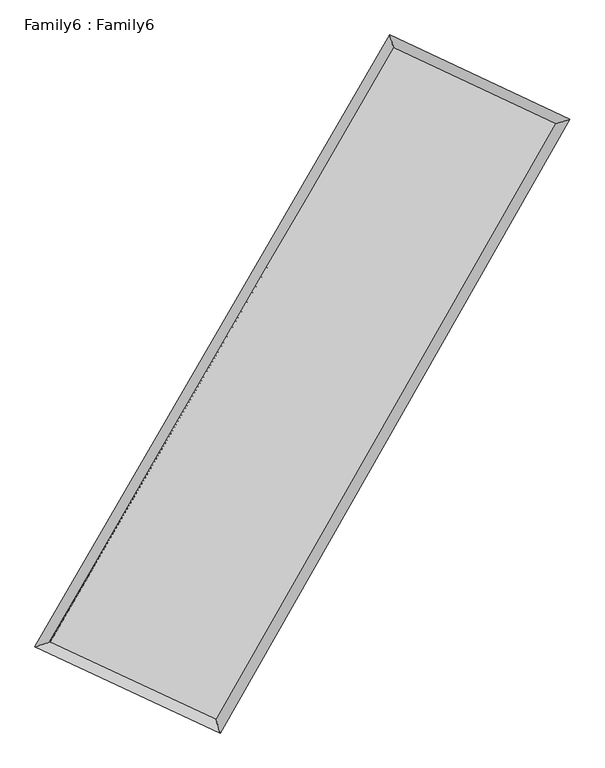
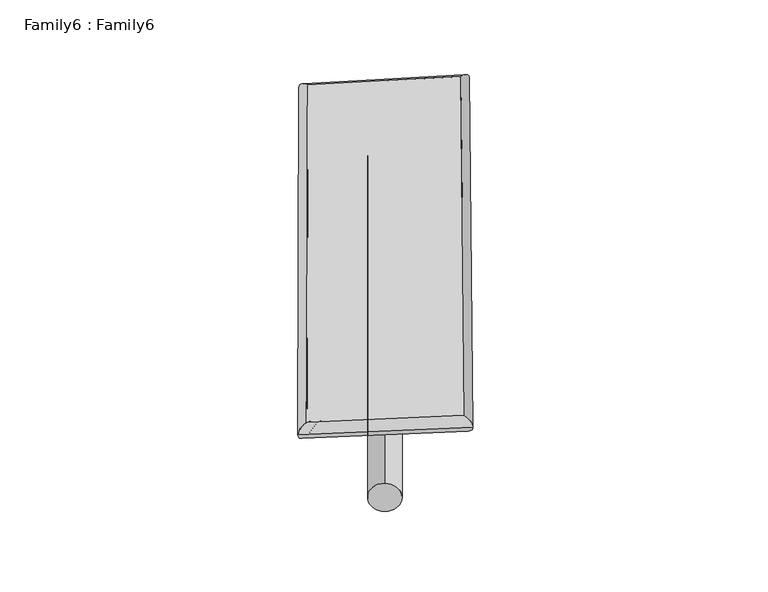
"""IFC4 building model written with IfcOpenShell, lengths in millimetres: plate geometry, Family6 : Family6."""

from ifc_helpers import new_model, si_unit, point, frame, origin, origin_2d, place, context, project, spatial, circle_curve, ellipse_curve, trimmed, segment, composite_curve, outline, extrude, source, transform, mapped, element, save
from ifc_brep_helpers import plane_surface, cylinder_surface, spline_surface, advanced_brep


def family6_family6_2edc6a6b(model_context):
    return source(origin(), model_context, "Body", "SolidModel", [
        extrude(outline(composite_curve([segment(trimmed(circle_curve(origin_2d(), 76.2), [point((-75.4341514, -10.7763073))], [point((75.4341514, 10.7763073))], False, "CARTESIAN"), True, "CONTINUOUS"), segment(trimmed(circle_curve(origin_2d(), 76.2), [point((75.4341514, 10.7763073))], [point((-75.4341514, -10.7763073))], False, "CARTESIAN"), True, "CONTINUOUS")], self_intersect=False)), frame((9144.0, 9144.0, 0.0), z_axis=(0.6711201776850793, 0.6912708931843585, 0.26784745535480997), x_axis=(-0.6826096217885913, 0.7171502338608823, -0.14049785163808823)), (0.0, 0.0, 1.0), 5724.0530083),
        extrude(outline(composite_curve([segment(trimmed(circle_curve(origin_2d(), 76.2), [point((-53.8815367, 53.8815367))], [point((53.8815367, -53.8815367))], False, "CARTESIAN"), True, "CONTINUOUS"), segment(trimmed(circle_curve(origin_2d(), 76.2), [point((53.8815367, -53.8815367))], [point((-53.8815367, 53.8815367))], False, "CARTESIAN"), True, "CONTINUOUS")], self_intersect=False)), frame((9144.0, 9144.0, 0.0), z_axis=(-0.6757393355986193, -0.6870600833055481, 0.2670670182798879), x_axis=(0.6374818651258435, -0.3627642554774337, 0.6797197706287343)), (0.0, 0.0, 1.0), 5740.7303309),
        extrude(outline(composite_curve([segment(trimmed(circle_curve(origin_2d(), 76.2), [point((-53.8815367, -53.8815367))], [point((53.8815367, 53.8815367))], False, "CARTESIAN"), True, "CONTINUOUS"), segment(trimmed(circle_curve(origin_2d(), 76.2), [point((53.8815367, 53.8815367))], [point((-53.8815367, -53.8815367))], False, "CARTESIAN"), True, "CONTINUOUS")], self_intersect=False)), frame((9144.0, 9144.0, 0.0), z_axis=(0.24908976625173485, 0.928707079101063, 0.2746951939445395), x_axis=(-0.8447547378997796, 0.3470611832153658, -0.4073548427366795)), (0.0, 0.0, 1.0), 5506.3333231),
        extrude(outline(composite_curve([segment(trimmed(circle_curve(origin_2d(), 76.2), [point((-75.4341514, 10.7763073))], [point((75.4341514, -10.7763073))], False, "CARTESIAN"), True, "CONTINUOUS"), segment(trimmed(circle_curve(origin_2d(), 76.2), [point((75.4341514, -10.7763073))], [point((-75.4341514, 10.7763073))], False, "CARTESIAN"), True, "CONTINUOUS")], self_intersect=False)), frame((9144.0, 9144.0, 0.0), z_axis=(-0.24239583645104618, -0.9305170651460749, 0.27455828150528166), x_axis=(0.8876240760016593, -0.0984692665154123, 0.44991921858720074)), (0.0, 0.0, 1.0), 5510.474261),
        advanced_brep(
        [(5049.3055167, 5131.9530937, 1531.7010247), (5049.2920506, 5131.9353353, 1535.0226786), (5480.2198839, 5267.5935875, 1534.6184398), (10577.3789802, 14060.5353068, 1514.6247018), (10453.7635805, 14455.0061674, 1510.5018985), (5480.23335, 5267.6113459, 1531.2967858), (12771.3748603, 13032.8924894, 1532.9317747), (13199.6800837, 13168.849982, 1533.4142905), (7745.3506832, 4213.7740548, 1513.2958759), (7871.2172813, 3819.0452713, 1512.5968108)],
        [
            (0, 1, ellipse_curve(frame((5264.7627003, 5199.7733406, 1533.1597322), z_axis=(-0.300271812799129, 0.9538457774489904, 0.0038821747843170848), x_axis=(-0.9538273126301804, -0.30029128688871426, 0.006212946113369899)), 225.9055535, 152.4)),
            (1, 2, ellipse_curve(frame((5264.7627003, 5199.7733406, 1533.1597322), z_axis=(-0.300271812799129, 0.9538457774489904, 0.0038821747843170848), x_axis=(-0.9538273126301804, -0.30029128688871426, 0.006212946113369899)), 225.9055535, 152.4)),
            (2, 3),
            (3, 4, ellipse_curve(frame((10515.5712804, 14257.7707371, 1512.5633001), z_axis=(-0.9542251207830249, -0.2990652992392086, -0.0037902054804301996), x_axis=(0.29903452677941494, -0.954216261542144, 0.007048262363588329)), 206.7040467, 152.4)),
            (4, 0),
            (2, 5, ellipse_curve(frame((5264.7627003, 5199.7733406, 1533.1597322), z_axis=(-0.300271812799129, 0.9538457774489904, 0.0038821747843170848), x_axis=(-0.9538273126301804, -0.30029128688871426, 0.006212946113369899)), 225.9055535, 152.4)),
            (5, 0, ellipse_curve(frame((5264.7627003, 5199.7733406, 1533.1597322), z_axis=(-0.300271812799129, 0.9538457774489904, 0.0038821747843170848), x_axis=(-0.9538273126301804, -0.30029128688871426, 0.006212946113369899)), 225.9055535, 152.4)),
            (4, 3, ellipse_curve(frame((10515.5712804, 14257.7707371, 1512.5633001), z_axis=(-0.9542251207830249, -0.2990652992392086, -0.0037902054804301996), x_axis=(0.29903452677941494, -0.954216261542144, 0.007048262363588329)), 206.7040467, 152.4)),
            (3, 6),
            (6, 7, ellipse_curve(frame((12985.527472, 13100.8712357, 1533.1730326), z_axis=(-0.3025471855857362, 0.9531253993221205, -0.004144111629602946), x_axis=(-0.953105611509486, -0.30256898268441396, -0.006457865471462596)), 224.6869529, 152.4)),
            (7, 4),
            (7, 6, ellipse_curve(frame((12985.527472, 13100.8712357, 1533.1730326), z_axis=(-0.3025471855857362, 0.9531253993221205, -0.004144111629602946), x_axis=(-0.953105611509486, -0.30256898268441396, -0.006457865471462596)), 224.6869529, 152.4)),
            (6, 8),
            (8, 9, ellipse_curve(frame((7808.2839823, 4016.4096631, 1512.9463434), z_axis=(0.9527286031827304, 0.3038015404540612, -0.0035822751461648383), x_axis=(-0.30377354901372206, 0.9527203750363037, 0.006746696250220449)), 207.1578062, 152.4)),
            (9, 7),
            (9, 8, ellipse_curve(frame((7808.2839823, 4016.4096631, 1512.9463434), z_axis=(0.9527286031827304, 0.3038015404540612, -0.0035822751461648383), x_axis=(-0.30377354901372206, 0.9527203750363037, 0.006746696250220449)), 207.1578062, 152.4)),
            (8, 5),
            (1, 9),
        ],
        [
            cylinder_surface(frame((5264.7627003, 5199.7733406, 1533.1597322), z_axis=(-0.5015148528239795, -0.8651467982381005, 0.0019672049475853975), x_axis=(-0.8651005811353736, 0.5014614035160211, -0.011723706878847405)), 152.4),
            cylinder_surface(frame((10515.5712804, 14257.7707371, 1512.5633001), z_axis=(-0.9055587938884821, 0.42415348120997814, -0.007556135830857687), x_axis=(0.42420152495985475, 0.9055437440151948, -0.006602567430702978)), 152.4),
            cylinder_surface(frame((12985.527472, 13100.8712357, 1533.1730326), z_axis=(0.4951371784621883, 0.8688126567373277, 0.001934424340679081), x_axis=(0.8688146590768967, -0.4951371784621883, -0.0005125208278846903)), 152.4),
            cylinder_surface(frame((7808.2839823, 4016.4096631, 1512.9463434), z_axis=(0.9066525181534285, -0.42181666249322947, -0.007205176550238749), x_axis=(-0.42179528468278826, -0.9066807048449267, 0.0043401936906871386)), 152.4),
        ],
        [
            (0, [[1, 2, 3, 4, 5]]),
            (0, [[6, 7, -5, 8, -3]]),
            (1, [[-4, 9, 10, 11]]),
            (1, [[-8, -11, 12, -9]]),
            (2, [[-10, 13, 14, 15]]),
            (2, [[-12, -15, 16, -13]]),
            (3, [[-14, 17, -6, -2, 18]]),
            (3, [[-16, -18, -1, -7, -17]]),
        ],
    ),
        extrude(outline(composite_curve([segment(trimmed(circle_curve(origin_2d(), 304.8), [point((0.0, -304.8))], [point((0.0, 304.8))], False, "CARTESIAN"), True, "CONTINUOUS"), segment(trimmed(circle_curve(origin_2d(), 304.8), [point((0.0, 304.8))], [point((0.0, -304.8))], False, "CARTESIAN"), True, "CONTINUOUS")], self_intersect=False)), frame((6516.3230983, 4590.6892055, -0.0043609), z_axis=(0.4998318884324725, 0.866122441289533, 8.295190897384252e-07), x_axis=(-0.8661224412899017, 0.4998318884324725, 2.2218268423385488e-07)), (0.0, 0.0, 1.0), 10514.2427384),
        advanced_brep(
        [(5264.7627003, 5199.7733406, 1533.1597322), (7808.2839823, 4016.4096631, 1512.9463434), (7808.2893289, 4016.4098131, 1665.3463433), (5264.768047, 5199.7734907, 1685.5597321), (12985.527472, 13100.8712357, 1533.1730326), (12985.5328187, 13100.8713858, 1685.5730325), (10515.5712804, 14257.7707371, 1512.5633001), (10515.576627, 14257.7708872, 1664.9633)],
        [
            (0, 1),
            (1, 2),
            (2, 3),
            (3, 0),
            (1, 4),
            (4, 5),
            (5, 2),
            (4, 6),
            (6, 7),
            (7, 5),
            (6, 0),
            (3, 7),
        ],
        [
            plane_surface(frame((6536.5233413, 4608.0915018, 1523.0530378), z_axis=(-0.4218275095684639, -0.9066761008899656, 1.5691932368999684e-05), x_axis=(0.9066525181534283, -0.4218166624932299, -0.007205176550238739))),
            plane_surface(frame((10396.9057271, 8558.6404494, 1523.059688), z_axis=(0.8688143106262032, -0.4951380542349046, -2.9993135604005098e-05), x_axis=(0.49513717846218874, 0.8688126567373273, 0.001934424340679087))),
            plane_surface(frame((11750.5493762, 13679.3209864, 1522.8681664), z_axis=(0.4241656981698158, 0.9055845958536005, -1.577288848863016e-05), x_axis=(-0.9055587938884818, 0.42415348120997876, -0.007556135830857685))),
            plane_surface(frame((7890.1669903, 9728.7720388, 1522.8615162), z_axis=(-0.8651484424133424, 0.5015158738248003, 2.9858244520194468e-05), x_axis=(-0.5015148528239798, -0.8651467982381004, 0.0019672049475853966))),
            spline_surface(1, 1, [[(7808.2893289, 4016.4098131, 1665.3463433), (5264.768047, 5199.7734907, 1685.5597321)], [(12985.5328187, 13100.8713858, 1685.5730325), (10515.576627, 14257.7708872, 1664.9633)]], [2, 2], [2, 2], [0.0, 1.0], [0.0, 1.0]),
            spline_surface(1, 1, [[(10515.5712804, 14257.7707371, 1512.5633001), (5264.7627003, 5199.7733406, 1533.1597322)], [(12985.527472, 13100.8712357, 1533.1730326), (7808.2839823, 4016.4096631, 1512.9463434)]], [2, 2], [2, 2], [0.0, 1.0], [0.0, 1.0]),
        ],
        [
            (0, [[1, 2, 3, 4]]),
            (1, [[5, 6, 7, -2]]),
            (2, [[8, 9, 10, -6]]),
            (3, [[11, -4, 12, -9]]),
            (4, [[-3, -7, -10, -12]]),
            (5, [[-11, -8, -5, -1]]),
        ],
    ),
    ])


if __name__ == "__main__":
    model = new_model("IFC4")
    model_context = context("Model", 3, world=origin())
    ifc_project = project(units=[si_unit("LENGTHUNIT", "METRE", prefix="MILLI")], contexts=[model_context])
    site = spatial("IfcSite", under=ifc_project)
    building = spatial("IfcBuilding", under=site)
    placement = place(None, origin())
    family6_family6_shape = family6_family6_2edc6a6b(model_context)
    element("IfcPlate", 1, ObjectType="Family6 : Family6", at=placement, inside=building, context=model_context, shape_type="MappedRepresentation", body=[
        mapped(family6_family6_shape, transform((0.0, 0.0, 0.0), x_axis=(1.0, 0.0, 0.0), y_axis=(0.0, 1.0, 0.0), z_axis=(0.0, 0.0, 1.0))),
    ])
    save(model, "model.ifc")
